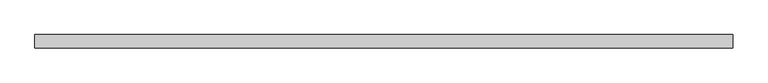
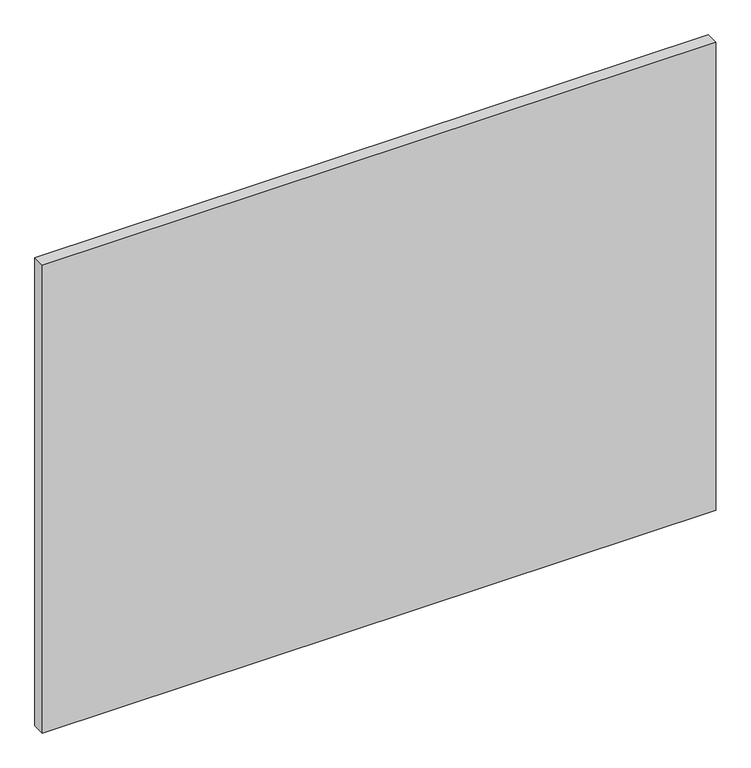
"""IFC4 building model written with IfcOpenShell, lengths in millimetres: plate geometry."""

from ifc_helpers import new_model, si_unit, origin, origin_with_axes, place, context, project, spatial, polyline, outline, extrude, source, transform, mapped, element, save


def plate_dcf6191b(model_context):
    return source(origin(), model_context, "Body", "SweptSolid", [
        extrude(outline(polyline([(646.7676722, 24.5), (-646.7676722, 24.5), (-646.7676722, 49.5), (646.7676722, 49.5), (646.7676722, 24.5)])), origin_with_axes(), (0.0, 0.0, 1.0), 950.0),
    ])


if __name__ == "__main__":
    model = new_model("IFC4")
    model_context = context("Model", 3, world=origin())
    ifc_project = project(units=[si_unit("LENGTHUNIT", "METRE", prefix="MILLI")], contexts=[model_context])
    site = spatial("IfcSite", under=ifc_project)
    building = spatial("IfcBuilding", under=site)
    placement = place(None, origin())
    plate_shape = plate_dcf6191b(model_context)
    element("IfcPlate", 1, at=placement, inside=building, context=model_context, shape_type="MappedRepresentation", body=[
        mapped(plate_shape, transform((0.0, 0.0, 0.0), x_axis=(1.0, 0.0, 0.0), y_axis=(0.0, 1.0, 0.0), z_axis=(0.0, 0.0, 1.0))),
    ])
    save(model, "model.ifc")
